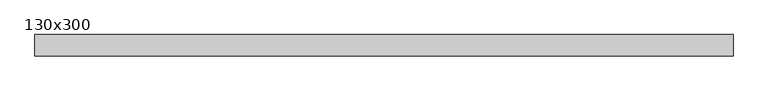
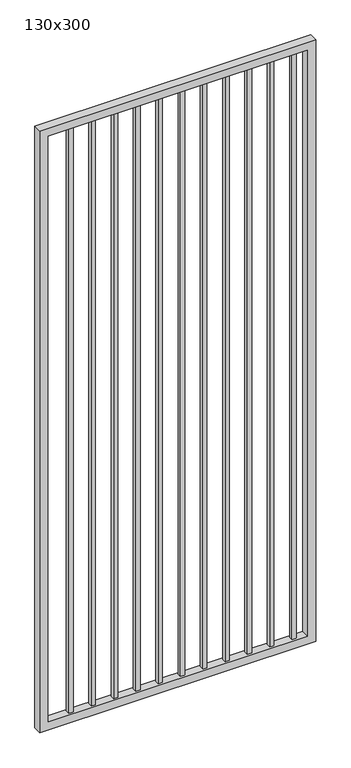
"""IFC4 building model written with IfcOpenShell, lengths in millimetres: proxy geometry, 130x300."""

from ifc_helpers import new_model, si_unit, frame, origin, place, context, project, spatial, polyline, outline, extrude, source, transform, mapped, element, save


def proxy_130x300_44e55dcf(model_context):
    return source(origin(), model_context, "Body", "SweptSolid", [
        extrude(outline(polyline([(1203.325, 9.525), (1203.325, -9.525), (1184.275, -9.525), (1184.275, 9.525), (1203.325, 9.525)])), frame((0.0, 0.0, 139.7), z_axis=(0.0, 0.0, 1.0), x_axis=(1.0, 0.0, 0.0)), (0.0, 0.0, 1.0), 2830.0),
        extrude(outline(polyline([(1101.725, 9.525), (1101.725, -9.525), (1082.675, -9.525), (1082.675, 9.525), (1101.725, 9.525)])), frame((0.0, 0.0, 139.7), z_axis=(0.0, 0.0, 1.0), x_axis=(1.0, 0.0, 0.0)), (0.0, 0.0, 1.0), 2830.0),
        extrude(outline(polyline([(1000.125, 9.525), (1000.125, -9.525), (981.075, -9.525), (981.075, 9.525), (1000.125, 9.525)])), frame((0.0, 0.0, 139.7), z_axis=(0.0, 0.0, 1.0), x_axis=(1.0, 0.0, 0.0)), (0.0, 0.0, 1.0), 2830.0),
        extrude(outline(polyline([(898.525, 9.525), (898.525, -9.525), (879.475, -9.525), (879.475, 9.525), (898.525, 9.525)])), frame((0.0, 0.0, 139.7), z_axis=(0.0, 0.0, 1.0), x_axis=(1.0, 0.0, 0.0)), (0.0, 0.0, 1.0), 2830.0),
        extrude(outline(polyline([(796.925, 9.525), (796.925, -9.525), (777.875, -9.525), (777.875, 9.525), (796.925, 9.525)])), frame((0.0, 0.0, 139.7), z_axis=(0.0, 0.0, 1.0), x_axis=(1.0, 0.0, 0.0)), (0.0, 0.0, 1.0), 2830.0),
        extrude(outline(polyline([(695.325, 9.525), (695.325, -9.525), (676.275, -9.525), (676.275, 9.525), (695.325, 9.525)])), frame((0.0, 0.0, 139.7), z_axis=(0.0, 0.0, 1.0), x_axis=(1.0, 0.0, 0.0)), (0.0, 0.0, 1.0), 2830.0),
        extrude(outline(polyline([(593.725, 9.525), (593.725, -9.525), (574.675, -9.525), (574.675, 9.525), (593.725, 9.525)])), frame((0.0, 0.0, 139.7), z_axis=(0.0, 0.0, 1.0), x_axis=(1.0, 0.0, 0.0)), (0.0, 0.0, 1.0), 2830.0),
        extrude(outline(polyline([(492.125, 9.525), (492.125, -9.525), (473.075, -9.525), (473.075, 9.525), (492.125, 9.525)])), frame((0.0, 0.0, 139.7), z_axis=(0.0, 0.0, 1.0), x_axis=(1.0, 0.0, 0.0)), (0.0, 0.0, 1.0), 2830.0),
        extrude(outline(polyline([(390.525, 9.525), (390.525, -9.525), (371.475, -9.525), (371.475, 9.525), (390.525, 9.525)])), frame((0.0, 0.0, 139.7), z_axis=(0.0, 0.0, 1.0), x_axis=(1.0, 0.0, 0.0)), (0.0, 0.0, 1.0), 2830.0),
        extrude(outline(polyline([(288.925, 9.525), (288.925, -9.525), (269.875, -9.525), (269.875, 9.525), (288.925, 9.525)])), frame((0.0, 0.0, 139.7), z_axis=(0.0, 0.0, 1.0), x_axis=(1.0, 0.0, 0.0)), (0.0, 0.0, 1.0), 2830.0),
        extrude(outline(polyline([(187.325, 9.525), (187.325, -9.525), (168.275, -9.525), (168.275, 9.525), (187.325, 9.525)])), frame((0.0, 0.0, 139.7), z_axis=(0.0, 0.0, 1.0), x_axis=(1.0, 0.0, 0.0)), (0.0, 0.0, 1.0), 2830.0),
        extrude(outline(polyline([(101.6, 1287.3), (3000.0, 1287.3), (3000.0, 30.0), (101.6, 30.0), (101.6, 1287.3)]), holes=[polyline([(2961.9, 1249.2), (139.7, 1249.2), (139.7, 68.1), (2961.9, 68.1), (2961.9, 1249.2)])]), frame((0.0, -19.05, 0.0), z_axis=(0.0, 1.0, 0.0), x_axis=(0.0, 0.0, 1.0)), (0.0, 0.0, 1.0), 38.1),
    ])


if __name__ == "__main__":
    model = new_model("IFC4")
    model_context = context("Model", 3, world=origin())
    ifc_project = project(units=[si_unit("LENGTHUNIT", "METRE", prefix="MILLI")], contexts=[model_context])
    site = spatial("IfcSite", under=ifc_project)
    building = spatial("IfcBuilding", under=site)
    placement = place(None, origin())
    proxy_130x300_shape = proxy_130x300_44e55dcf(model_context)
    element("IfcBuildingElementProxy", 1, Name="130x300", ObjectType="130x300", at=placement, inside=building, context=model_context, shape_type="MappedRepresentation", body=[
        mapped(proxy_130x300_shape, transform((0.0, 0.0, 0.0), x_axis=(1.0, 0.0, 0.0), y_axis=(0.0, 1.0, 0.0), z_axis=(0.0, 0.0, 1.0))),
    ])
    save(model, "model.ifc")
